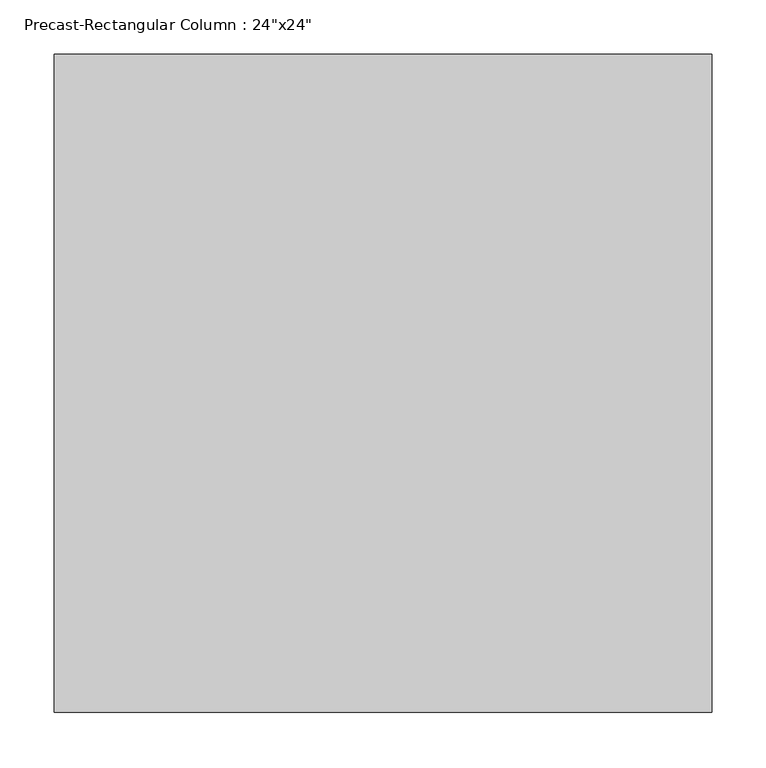
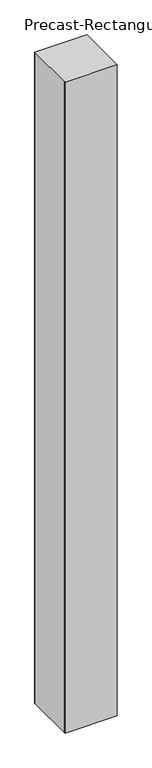
"""IFC4 building model written with IfcOpenShell, lengths in millimetres: column geometry."""

from ifc_helpers import new_model, si_unit, frame, origin, place, context, project, spatial, polyline, outline, extrude, source, transform, mapped, element, save


def column_fda51847(model_context):
    return source(origin(), model_context, "Body", "SweptSolid", [
        extrude(outline(polyline([(304.8, 304.8), (304.8, 294.8), (304.8, -294.8), (304.8, -304.8), (-304.8, -304.8), (-304.8, -294.8), (-304.8, 294.8), (-304.8, 304.8), (304.8, 304.8)])), frame((0.0, 0.0, -457.2), z_axis=(0.0, 0.0, 1.0), x_axis=(1.0, 0.0, 0.0)), (0.0, 0.0, 1.0), 8026.4),
    ])


if __name__ == "__main__":
    model = new_model("IFC4")
    model_context = context("Model", 3, world=origin())
    ifc_project = project(units=[si_unit("LENGTHUNIT", "METRE", prefix="MILLI")], contexts=[model_context])
    site = spatial("IfcSite", under=ifc_project)
    building = spatial("IfcBuilding", under=site)
    placement = place(None, origin())
    column_shape = column_fda51847(model_context)
    element("IfcColumn", 1, ObjectType="Precast-Rectangular Column : 24\"x24\"", at=placement, inside=building, context=model_context, shape_type="MappedRepresentation", body=[
        mapped(column_shape, transform((0.0, 0.0, 0.0), x_axis=(1.0, 0.0, 0.0), y_axis=(0.0, 1.0, 0.0), z_axis=(0.0, 0.0, 1.0))),
    ])
    save(model, "model.ifc")
